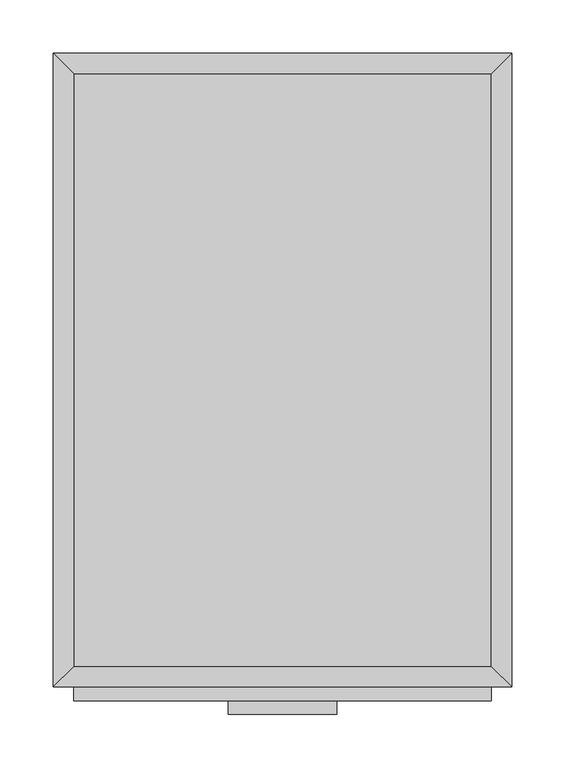
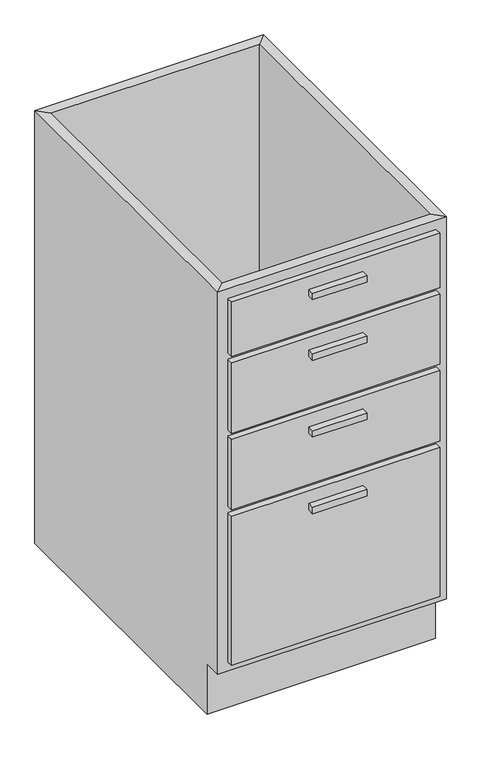
"""IFC4 building model written with IfcOpenShell, lengths in millimetres: furniture geometry."""

from ifc_helpers import new_model, si_unit, frame, origin, place, context, project, spatial, polyline, outline, extrude, faceted_brep, source, transform, mapped, element, save


def furniture_8e497675(model_context):
    return source(origin(), model_context, "Body", "SolidModel", [
        faceted_brep([(214.6877049, -575.95, 860.0), (214.6877049, -575.95, 100.0), (-177.2122951, -575.95, 100.0), (-177.2122951, -575.95, 860.0), (-196.2622951, -595.0, 860.0), (233.7377049, -595.0, 860.0), (-196.2622951, -595.0, 100.0), (233.7377049, -595.0, 100.0), (-177.2122951, -560.0, 100.0), (-177.2122951, -19.05, 100.0), (-177.2122951, -19.05, 860.0), (-196.2622951, 0.0, 860.0), (-196.2622951, 0.0, 0.0), (-196.2622951, -560.0, 0.0), (-196.2622951, -560.0, 100.0), (214.6877049, -19.05, 100.0), (214.6877049, -19.05, 860.0), (233.7377049, 0.0, 860.0), (233.7377049, 0.0, 0.0), (214.6877049, -560.0, 100.0), (233.7377049, -560.0, 100.0), (233.7377049, -560.0, 0.0)], [[[0, 1, 2, 3]], [[0, 3, 4, 5]], [[5, 4, 6, 7]], [[2, 1, 7, 6]], [[3, 2, 8, 9, 10]], [[4, 3, 10, 11]], [[6, 4, 11, 12, 13, 14]], [[2, 6, 14, 8]], [[10, 9, 15, 16]], [[11, 10, 16, 17]], [[12, 11, 17, 18]], [[1, 0, 16, 15, 19]], [[0, 5, 17, 16]], [[5, 7, 20, 21, 18, 17]], [[7, 1, 19, 20]], [[8, 19, 15, 9]], [[18, 21, 13, 12]], [[13, 21, 20, 19, 8, 14]]]),
        extrude(outline(polyline([(69.5377049, -620.4), (-32.0622951, -620.4), (-32.0622951, -607.7), (69.5377049, -607.7), (69.5377049, -620.4)])), frame((0.0, 0.0, 802.85), z_axis=(0.0, 0.0, 1.0), x_axis=(1.0, 0.0, 0.0)), (0.0, 0.0, 1.0), 12.7),
        extrude(outline(polyline([(69.5377049, -620.4), (-32.0622951, -620.4), (-32.0622951, -607.7), (69.5377049, -607.7), (69.5377049, -620.4)])), frame((0.0, 0.0, 682.2), z_axis=(0.0, 0.0, 1.0), x_axis=(1.0, 0.0, 0.0)), (0.0, 0.0, 1.0), 12.7),
        extrude(outline(polyline([(69.5377049, -620.4), (-32.0622951, -620.4), (-32.0622951, -607.7), (69.5377049, -607.7), (69.5377049, -620.4)])), frame((0.0, 0.0, 529.8), z_axis=(0.0, 0.0, 1.0), x_axis=(1.0, 0.0, 0.0)), (0.0, 0.0, 1.0), 12.7),
        extrude(outline(polyline([(69.5377049, -620.4), (-32.0622951, -620.4), (-32.0622951, -607.7), (69.5377049, -607.7), (69.5377049, -620.4)])), frame((0.0, 0.0, 377.4), z_axis=(0.0, 0.0, 1.0), x_axis=(1.0, 0.0, 0.0)), (0.0, 0.0, 1.0), 12.7),
        extrude(outline(polyline([(214.6877049, -607.7), (-177.2122951, -607.7), (-177.2122951, -595.0), (214.6877049, -595.0), (214.6877049, -607.7)])), frame((0.0, 0.0, 733.0), z_axis=(0.0, 0.0, 1.0), x_axis=(1.0, 0.0, 0.0)), (0.0, 0.0, 1.0), 107.95),
        extrude(outline(polyline([(214.6877049, -607.7), (-177.2122951, -607.7), (-177.2122951, -595.0), (214.6877049, -595.0), (214.6877049, -607.7)])), frame((0.0, 0.0, 580.6), z_axis=(0.0, 0.0, 1.0), x_axis=(1.0, 0.0, 0.0)), (0.0, 0.0, 1.0), 139.7),
        extrude(outline(polyline([(214.6877049, -607.7), (-177.2122951, -607.7), (-177.2122951, -595.0), (214.6877049, -595.0), (214.6877049, -607.7)])), frame((0.0, 0.0, 428.2), z_axis=(0.0, 0.0, 1.0), x_axis=(1.0, 0.0, 0.0)), (0.0, 0.0, 1.0), 139.7),
        extrude(outline(polyline([(214.6877049, -607.7), (-177.2122951, -607.7), (-177.2122951, -595.0), (214.6877049, -595.0), (214.6877049, -607.7)])), frame((0.0, 0.0, 119.05), z_axis=(0.0, 0.0, 1.0), x_axis=(1.0, 0.0, 0.0)), (0.0, 0.0, 1.0), 296.45),
        extrude(outline(polyline([(214.6877049, -19.05), (214.6877049, -575.95), (-177.2122951, -575.95), (-177.2122951, -19.05), (214.6877049, -19.05)])), frame((0.0, 0.0, 100.0), z_axis=(0.0, 0.0, 1.0), x_axis=(1.0, 0.0, 0.0)), (0.0, 0.0, 1.0), 19.05),
    ])


if __name__ == "__main__":
    model = new_model("IFC4")
    model_context = context("Model", 3, world=origin())
    ifc_project = project(units=[si_unit("LENGTHUNIT", "METRE", prefix="MILLI")], contexts=[model_context])
    site = spatial("IfcSite", under=ifc_project)
    building = spatial("IfcBuilding", under=site)
    placement = place(None, origin())
    furniture_shape = furniture_8e497675(model_context)
    element("IfcFurniture", 1, at=placement, inside=building, context=model_context, shape_type="MappedRepresentation", body=[
        mapped(furniture_shape, transform((0.0, 0.0, 0.0), x_axis=(1.0, 0.0, 0.0), y_axis=(0.0, 1.0, 0.0), z_axis=(0.0, 0.0, 1.0))),
    ])
    save(model, "model.ifc")
